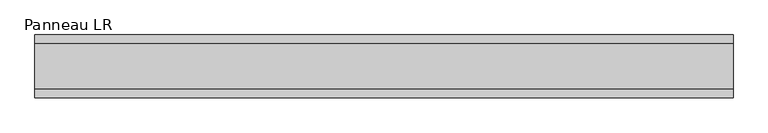
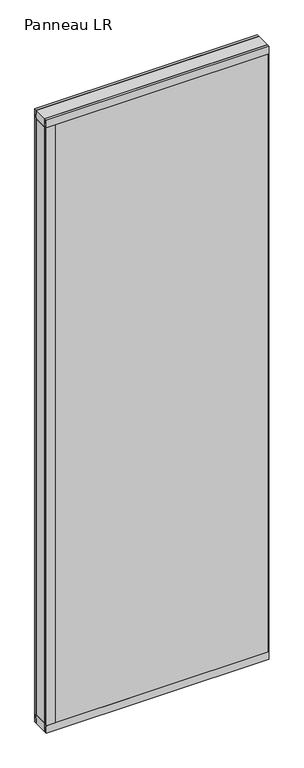
"""IFC4 building model written with IfcOpenShell, lengths in millimetres: plate geometry, Panneau LR."""

from ifc_helpers import new_model, si_unit, frame, origin, origin_with_axes, place, context, project, spatial, polyline, outline, extrude, source, transform, mapped, element, save


def panneau_lr_bc7781ee(model_context):
    return source(origin(), model_context, "Body", "SweptSolid", [
        extrude(outline(polyline([(33.0, 2910.0), (45.0, 2910.0), (45.0, 2875.0), (43.8, 2875.0), (43.8, 2890.0), (33.0, 2890.0), (33.0, 2910.0)])), frame((-500.7748678, 0.0, 0.0), z_axis=(1.0, 0.0, 0.0), x_axis=(0.0, 1.0, 0.0)), (0.0, 0.0, 1.0), 1001.5497356),
        extrude(outline(polyline([(-45.0, 2875.0), (-45.0, 2910.0), (-33.0, 2910.0), (-33.0, 2890.0), (-43.8, 2890.0), (-43.8, 2875.0), (-45.0, 2875.0)])), frame((-500.7748678, 0.0, 0.0), z_axis=(1.0, 0.0, 0.0), x_axis=(0.0, 1.0, 0.0)), (0.0, 0.0, 1.0), 1001.5497356),
        extrude(outline(polyline([(-460.7748678, 33.0), (-460.7748678, -33.0), (-500.7748678, -33.0), (-500.7748678, 33.0), (-460.7748678, 33.0)])), frame((0.0, 0.0, 40.0), z_axis=(0.0, 0.0, 1.0), x_axis=(1.0, 0.0, 0.0)), (0.0, 0.0, 1.0), 2830.0),
        extrude(outline(polyline([(500.7748678, 43.8), (500.7748678, 37.8), (498.7748678, 37.8), (498.7748678, 43.8), (500.7748678, 43.8)])), frame((0.0, 0.0, 20.0), z_axis=(0.0, 0.0, 1.0), x_axis=(1.0, 0.0, 0.0)), (0.0, 0.0, 1.0), 2870.0),
        extrude(outline(polyline([(500.7748678, -37.8), (500.7748678, -43.8), (498.7748678, -43.8), (498.7748678, -37.8), (500.7748678, -37.8)])), frame((0.0, 0.0, 20.0), z_axis=(0.0, 0.0, 1.0), x_axis=(1.0, 0.0, 0.0)), (0.0, 0.0, 1.0), 2870.0),
        extrude(outline(polyline([(-500.7748678, 45.0), (-462.1748678, 45.0), (-462.1748678, 43.8), (-477.1748678, 43.8), (-477.1748678, 33.0), (-500.7748678, 33.0), (-500.7748678, 45.0)])), frame((0.0, 0.0, 35.0), z_axis=(0.0, 0.0, 1.0), x_axis=(1.0, 0.0, 0.0)), (0.0, 0.0, 1.0), 2840.0),
        extrude(outline(polyline([(-500.7748678, -45.0), (-500.7748678, -33.0), (-477.1748678, -33.0), (-477.1748678, -43.8), (-462.1748678, -43.8), (-462.1748678, -45.0), (-500.7748678, -45.0)])), frame((0.0, 0.0, 35.0), z_axis=(0.0, 0.0, 1.0), x_axis=(1.0, 0.0, 0.0)), (0.0, 0.0, 1.0), 2840.0),
        extrude(outline(polyline([(33.0, 0.0), (33.0, 20.0), (43.8, 20.0), (43.8, 35.0), (45.0, 35.0), (45.0, 0.0), (33.0, 0.0)])), frame((-500.7748678, 0.0, 0.0), z_axis=(1.0, 0.0, 0.0), x_axis=(0.0, 1.0, 0.0)), (0.0, 0.0, 1.0), 1001.5497356),
        extrude(outline(polyline([(-45.0, 35.0), (-43.8, 35.0), (-43.8, 20.0), (-33.0, 20.0), (-33.0, 0.0), (-45.0, 0.0), (-45.0, 35.0)])), frame((-500.7748678, 0.0, 0.0), z_axis=(1.0, 0.0, 0.0), x_axis=(0.0, 1.0, 0.0)), (0.0, 0.0, 1.0), 1001.5497356),
        extrude(outline(polyline([(500.7748678, -33.0), (-500.7748678, -33.0), (-500.7748678, 33.0), (500.7748678, 33.0), (500.7748678, -33.0)])), frame((0.0, 0.0, 2870.0), z_axis=(0.0, 0.0, 1.0), x_axis=(1.0, 0.0, 0.0)), (0.0, 0.0, 1.0), 40.0),
        extrude(outline(polyline([(500.7748678, -33.0), (-500.7748678, -33.0), (-500.7748678, 33.0), (500.7748678, 33.0), (500.7748678, -33.0)])), origin_with_axes(), (0.0, 0.0, 1.0), 40.0),
        extrude(outline(polyline([(498.7748678, 37.8), (-492.7748678, 37.8), (-492.7748678, 43.8), (498.7748678, 43.8), (498.7748678, 37.8)])), frame((0.0, 0.0, 20.0), z_axis=(0.0, 0.0, 1.0), x_axis=(1.0, 0.0, 0.0)), (0.0, 0.0, 1.0), 2870.0),
        extrude(outline(polyline([(-492.7748678, -43.8), (-492.7748678, -37.8), (498.7748678, -37.8), (498.7748678, -43.8), (-492.7748678, -43.8)])), frame((0.0, 0.0, 20.0), z_axis=(0.0, 0.0, 1.0), x_axis=(1.0, 0.0, 0.0)), (0.0, 0.0, 1.0), 2870.0),
    ])


if __name__ == "__main__":
    model = new_model("IFC4")
    model_context = context("Model", 3, world=origin())
    ifc_project = project(units=[si_unit("LENGTHUNIT", "METRE", prefix="MILLI")], contexts=[model_context])
    site = spatial("IfcSite", under=ifc_project)
    building = spatial("IfcBuilding", under=site)
    placement = place(None, origin())
    panneau_lr_shape = panneau_lr_bc7781ee(model_context)
    element("IfcPlate", 1, ObjectType="Panneau LR", at=placement, inside=building, context=model_context, shape_type="MappedRepresentation", body=[
        mapped(panneau_lr_shape, transform((0.0, 0.0, 0.0), x_axis=(1.0, 0.0, 0.0), y_axis=(0.0, 1.0, 0.0), z_axis=(0.0, 0.0, 1.0))),
    ])
    save(model, "model.ifc")
